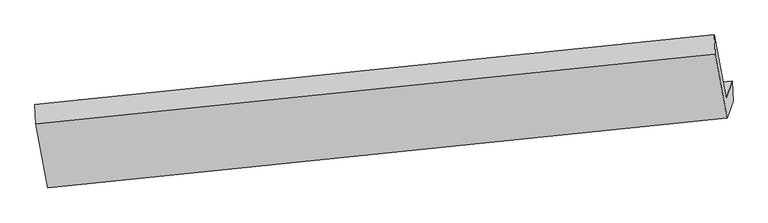
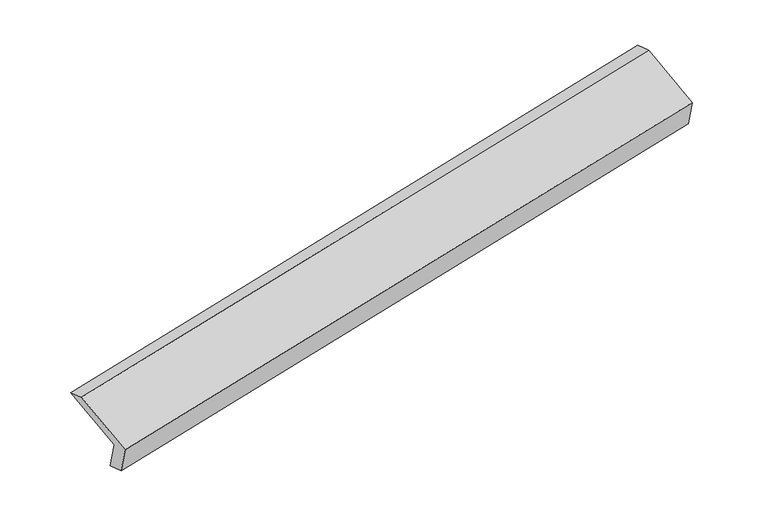
"""IFC4 building model written with IfcOpenShell, lengths in millimetres: proxy geometry."""

from ifc_helpers import new_model, si_unit, origin, place, context, project, spatial, faceted_brep, source, transform, mapped, element, save


def generic_models_f802f6fd(model_context):
    return source(origin(), model_context, "Body", "Brep", [
        faceted_brep([(-6072.1011365, -2001.4482133, 1297.3290626), (-6186.2855382, -1396.388212, 1561.6658478), (267.4867575, -731.9289796, 2828.5437206), (381.6711592, -1336.9889808, 2564.2069354), (-6017.4481563, -1835.6021724, 941.3200122), (436.3241394, -1171.1429399, 2208.197885), (-6009.0839871, -2024.0536363, 994.5795794), (444.6883086, -1359.5944039, 2261.4574521), (-6063.7369673, -2189.8996772, 1350.5886298), (390.0353284, -1525.4404448, 2617.4665025), (-6178.7766828, -1580.3073913, 1616.9054658), (274.9956129, -915.8481589, 2883.7833385)], [[[0, 1, 2, 3]], [[4, 0, 3, 5]], [[6, 4, 5, 7]], [[8, 6, 7, 9]], [[10, 8, 9, 11]], [[1, 10, 11, 2]], [[9, 7, 5, 3, 2, 11]], [[1, 0, 4, 6, 8, 10]]]),
    ])


if __name__ == "__main__":
    model = new_model("IFC4")
    model_context = context("Model", 3, world=origin())
    ifc_project = project(units=[si_unit("LENGTHUNIT", "METRE", prefix="MILLI")], contexts=[model_context])
    site = spatial("IfcSite", under=ifc_project)
    building = spatial("IfcBuilding", under=site)
    placement = place(None, origin())
    generic_models_shape = generic_models_f802f6fd(model_context)
    element("IfcBuildingElementProxy", 1, Name="Generic Models", at=placement, inside=building, context=model_context, shape_type="MappedRepresentation", body=[
        mapped(generic_models_shape, transform((0.0, 0.0, 0.0), x_axis=(1.0, 0.0, 0.0), y_axis=(0.0, 1.0, 0.0), z_axis=(0.0, 0.0, 1.0))),
    ])
    save(model, "model.ifc")
